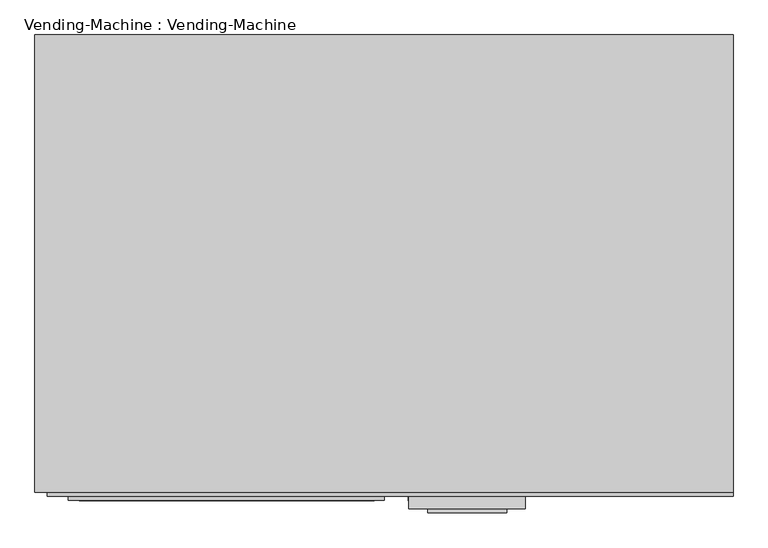
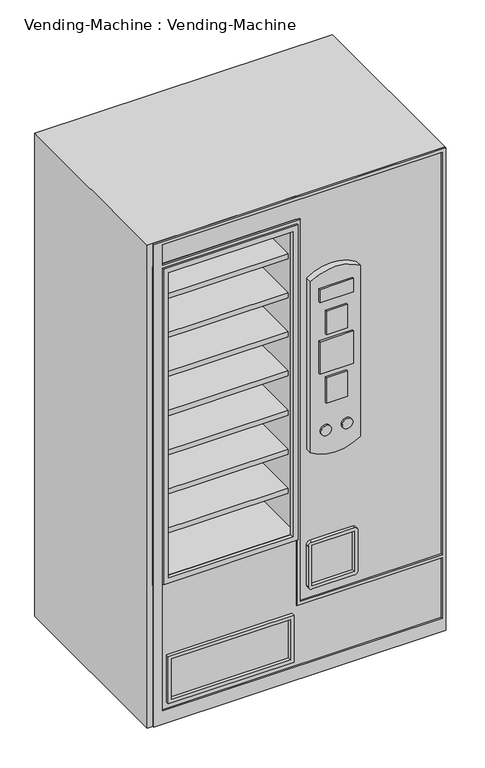
"""IFC4 building model written with IfcOpenShell, lengths in millimetres: proxy geometry, Vending-Machine : Vending-Machine."""

from ifc_helpers import new_model, si_unit, point, frame, frame_2d, origin, place, context, project, spatial, polyline, circle_curve, trimmed, segment, composite_curve, outline, extrude, faceted_brep, source, transform, mapped, element, save


def vending_machine_vending_machine_3bf43fcc(model_context):
    return source(origin(), model_context, "Body", "SolidModel", [
        extrude(outline(polyline([(187.6810598, -381.0), (67.0310598, -381.0), (67.0310598, -374.65), (187.6810598, -374.65), (187.6810598, -381.0)])), frame((0.0, 0.0, 1419.4456944), z_axis=(0.0, 0.0, 1.0), x_axis=(1.0, 0.0, 0.0)), (0.0, 0.0, 1.0), 50.8),
        extrude(outline(polyline([(166.4129851, -381.0), (90.2129851, -381.0), (90.2129851, -374.65), (166.4129851, -374.65), (166.4129851, -381.0)])), frame((0.0, 0.0, 1291.0554886), z_axis=(0.0, 0.0, 1.0), x_axis=(1.0, 0.0, 0.0)), (0.0, 0.0, 1.0), 88.9),
        extrude(outline(polyline([(166.4129851, -381.0), (90.2129851, -381.0), (90.2129851, -374.65), (166.4129851, -374.65), (166.4129851, -381.0)])), frame((0.0, 0.0, 1030.5995865), z_axis=(0.0, 0.0, 1.0), x_axis=(1.0, 0.0, 0.0)), (0.0, 0.0, 1.0), 97.771959),
        extrude(outline(composite_curve([segment(trimmed(circle_curve(frame_2d((928.0582637, 90.2129851)), 19.05), [point((928.0582637, 71.1629851))], [point((928.0582637, 109.2629851))], False, "CARTESIAN"), True, "CONTINUOUS"), segment(trimmed(circle_curve(frame_2d((928.0582637, 90.2129851)), 19.05), [point((928.0582637, 109.2629851))], [point((928.0582637, 71.1629851))], False, "CARTESIAN"), True, "CONTINUOUS")], self_intersect=False)), frame((0.0, -381.0, 0.0), z_axis=(0.0, 1.0, 0.0), x_axis=(0.0, 0.0, 1.0)), (0.0, 0.0, 1.0), 6.35),
        extrude(outline(composite_curve([segment(trimmed(circle_curve(frame_2d((928.0582637, 166.4129851)), 19.05), [point((928.0582637, 147.3629851))], [point((928.0582637, 185.4629851))], False, "CARTESIAN"), True, "CONTINUOUS"), segment(trimmed(circle_curve(frame_2d((928.0582637, 166.4129851)), 19.05), [point((928.0582637, 185.4629851))], [point((928.0582637, 147.3629851))], False, "CARTESIAN"), True, "CONTINUOUS")], self_intersect=False)), frame((0.0, -381.0, 0.0), z_axis=(0.0, 1.0, 0.0), x_axis=(0.0, 0.0, 1.0)), (0.0, 0.0, 1.0), 6.35),
        extrude(outline(polyline([(187.6810598, -381.0), (67.0310598, -381.0), (67.0310598, -374.65), (187.6810598, -374.65), (187.6810598, -381.0)])), frame((0.0, 0.0, 1148.6413418), z_axis=(0.0, 0.0, 1.0), x_axis=(1.0, 0.0, 0.0)), (0.0, 0.0, 1.0), 122.8111192),
        extrude(outline(polyline([(0.0, -300.8219542), (-514.35, -300.8219542), (-514.35, 167.2944124), (0.0, 167.2944124), (0.0, -300.8219542)])), frame((0.0, 0.0, 1413.9333333), z_axis=(0.0, 0.0, 1.0), x_axis=(1.0, 0.0, 0.0)), (0.0, 0.0, 1.0), 19.05),
        extrude(outline(polyline([(0.0, -300.8219542), (-514.35, -300.8219542), (-514.35, 167.2944124), (0.0, 167.2944124), (0.0, -300.8219542)])), frame((0.0, 0.0, 1265.7666667), z_axis=(0.0, 0.0, 1.0), x_axis=(1.0, 0.0, 0.0)), (0.0, 0.0, 1.0), 19.05),
        extrude(outline(polyline([(0.0, -300.8219542), (-514.35, -300.8219542), (-514.35, 167.2944124), (0.0, 167.2944124), (0.0, -300.8219542)])), frame((0.0, 0.0, 1117.6), z_axis=(0.0, 0.0, 1.0), x_axis=(1.0, 0.0, 0.0)), (0.0, 0.0, 1.0), 19.05),
        extrude(outline(polyline([(0.0, -300.8219542), (-514.35, -300.8219542), (-514.35, 167.2944124), (0.0, 167.2944124), (0.0, -300.8219542)])), frame((0.0, 0.0, 969.4333333), z_axis=(0.0, 0.0, 1.0), x_axis=(1.0, 0.0, 0.0)), (0.0, 0.0, 1.0), 19.05),
        extrude(outline(polyline([(0.0, -300.8219542), (-514.35, -300.8219542), (-514.35, 167.2944124), (0.0, 167.2944124), (0.0, -300.8219542)])), frame((0.0, 0.0, 821.2666667), z_axis=(0.0, 0.0, 1.0), x_axis=(1.0, 0.0, 0.0)), (0.0, 0.0, 1.0), 19.05),
        extrude(outline(polyline([(0.0, -300.8219542), (-514.35, -300.8219542), (-514.35, 167.2944124), (0.0, 167.2944124), (0.0, -300.8219542)])), frame((0.0, 0.0, 1562.1), z_axis=(0.0, 0.0, 1.0), x_axis=(1.0, 0.0, 0.0)), (0.0, 0.0, 1.0), 19.05),
        extrude(outline(polyline([(0.0, -349.25), (-514.35, -349.25), (-514.35, 330.2), (0.0, 330.2), (0.0, -349.25)])), frame((0.0, 0.0, 533.4), z_axis=(0.0, 0.0, 1.0), x_axis=(1.0, 0.0, 0.0)), (0.0, 0.0, 1.0), 19.05),
        extrude(outline(polyline([(0.0, -300.8219542), (-514.35, -300.8219542), (-514.35, 167.2944124), (0.0, 167.2944124), (0.0, -300.8219542)])), frame((0.0, 0.0, 673.1), z_axis=(0.0, 0.0, 1.0), x_axis=(1.0, 0.0, 0.0)), (0.0, 0.0, 1.0), 19.05),
        faceted_brep([(533.4, 349.25, 1828.8), (-533.4, 349.25, 1828.8), (-533.4, -349.25, 1828.8), (533.4, -349.25, 1828.8), (533.4, 349.25, 0.0), (533.4, -349.25, 0.0), (-533.4, -349.25, 0.0), (-533.4, 349.25, 0.0), (0.0, 330.2, 0.0), (-514.35, 330.2, 0.0), (-514.35, -330.2, 0.0), (0.0, -330.2, 0.0), (-514.35, -349.25, 533.4), (-514.35, -349.25, 1739.9), (0.0, -349.25, 1739.9), (0.0, -349.25, 533.4), (-514.35, 330.2, 1809.75), (-514.35, -330.2, 1809.75), (-514.35, -330.2, 1739.9), (-514.35, -330.2, 533.4), (0.0, 330.2, 1809.75), (0.0, -330.2, 533.4), (0.0, -330.2, 1739.9), (0.0, -330.2, 1809.75)], [[[0, 1, 2, 3]], [[4, 5, 6, 7], [8, 9, 10, 11]], [[1, 0, 4, 7]], [[2, 1, 7, 6]], [[3, 2, 6, 5], [12, 13, 14, 15]], [[10, 9, 16, 17, 18, 13, 12, 19]], [[9, 8, 20, 16]], [[8, 11, 21, 15, 14, 22, 23, 20]], [[0, 3, 5, 4]], [[21, 19, 12, 15]], [[19, 21, 11, 10]], [[17, 16, 20, 23]], [[14, 13, 18, 22]], [[22, 18, 17, 23]]]),
        extrude(outline(polyline([(1727.2, 0.0), (1727.2, -482.6), (533.4, -482.6), (533.4, 0.0), (1727.2, 0.0)]), holes=[polyline([(1708.15, -19.05), (552.45, -19.05), (552.45, -463.55), (1708.15, -463.55), (1708.15, -19.05)])]), frame((0.0, -361.95, 0.0), z_axis=(0.0, 1.0, 0.0), x_axis=(0.0, 0.0, 1.0)), (0.0, 0.0, 1.0), 12.7),
        extrude(outline(composite_curve([segment(polyline([(508.2755303, 202.0450175), (508.2755303, 49.6450175)]), True, "CONTINUOUS"), segment(trimmed(circle_curve(frame_2d((495.5755303, 49.6450175)), 12.7), [point((508.2755303, 49.6450175))], [point((495.5755303, 36.9450175))], False, "CARTESIAN"), True, "CONTINUOUS"), segment(polyline([(495.5755303, 36.9450175), (343.1755303, 36.9450175)]), True, "CONTINUOUS"), segment(trimmed(circle_curve(frame_2d((343.1755303, 49.6450175)), 12.7), [point((343.1755303, 36.9450175))], [point((330.4755303, 49.6450175))], False, "CARTESIAN"), True, "CONTINUOUS"), segment(polyline([(330.4755303, 49.6450175), (330.4755303, 202.0450175)]), True, "CONTINUOUS"), segment(trimmed(circle_curve(frame_2d((343.1755303, 202.0450175)), 12.7), [point((330.4755303, 202.0450175))], [point((343.1755303, 214.7450175))], False, "CARTESIAN"), True, "CONTINUOUS"), segment(polyline([(343.1755303, 214.7450175), (495.5755303, 214.7450175)]), True, "CONTINUOUS"), segment(trimmed(circle_curve(frame_2d((495.5755303, 202.0450175)), 12.7), [point((495.5755303, 214.7450175))], [point((508.2755303, 202.0450175))], False, "CARTESIAN"), True, "CONTINUOUS")], self_intersect=False), holes=[polyline([(495.5755303, 202.0450175), (343.1755303, 202.0450175), (343.1755303, 49.6450175), (495.5755303, 49.6450175), (495.5755303, 202.0450175)])]), frame((0.0, -361.95, 0.0), z_axis=(0.0, 1.0, 0.0), x_axis=(0.0, 0.0, 1.0)), (0.0, 0.0, 1.0), 12.7),
        extrude(outline(polyline([(253.9643958, -14.6706463), (253.9643958, -465.5206463), (76.1643958, -465.5206463), (76.1643958, -14.6706463), (253.9643958, -14.6706463)]), holes=[polyline([(241.2643958, -27.3706463), (88.8643958, -27.3706463), (88.8643958, -452.8206463), (241.2643958, -452.8206463), (241.2643958, -27.3706463)])]), frame((0.0, -361.95, 0.0), z_axis=(0.0, 1.0, 0.0), x_axis=(0.0, 0.0, 1.0)), (0.0, 0.0, 1.0), 12.7),
        extrude(outline(composite_curve([segment(trimmed(circle_curve(frame_2d((1374.4223131, 126.7077692)), 158.5424922), [point((1505.6949754, 215.6077692))], [point((1505.6949754, 37.8077692))], False, "CARTESIAN"), True, "CONTINUOUS"), segment(polyline([(1505.6949754, 37.8077692), (857.9949754, 37.8077692)]), True, "CONTINUOUS"), segment(trimmed(circle_curve(frame_2d((989.2676376, 126.7077692)), 158.5424922), [point((857.9949754, 37.8077692))], [point((857.9949754, 215.6077692))], False, "CARTESIAN"), True, "CONTINUOUS"), segment(polyline([(857.9949754, 215.6077692), (1505.6949754, 215.6077692)]), True, "CONTINUOUS")], self_intersect=False)), frame((0.0, -374.65, 0.0), z_axis=(0.0, 1.0, 0.0), x_axis=(0.0, 0.0, 1.0)), (0.0, 0.0, 1.0), 25.4),
        extrude(outline(polyline([(0.0, 533.4), (1828.8, 533.4), (1828.8, -514.35), (0.0, -514.35), (0.0, 533.4)]), holes=[polyline([(279.4, 0.0), (279.4, 520.7), (50.8, 520.7), (50.8, -482.6), (1727.2, -482.6), (1727.2, 0.0), (279.4, 0.0)]), polyline([(1739.9, -482.6), (1816.1, -482.6), (1816.1, 520.7), (292.1, 520.7), (292.1, 12.7), (1739.9, 12.7), (1739.9, -482.6)])]), frame((0.0, -355.6, 0.0), z_axis=(0.0, 1.0, 0.0), x_axis=(0.0, 0.0, 1.0)), (0.0, 0.0, 1.0), 6.35),
    ])


if __name__ == "__main__":
    model = new_model("IFC4")
    model_context = context("Model", 3, world=origin())
    ifc_project = project(units=[si_unit("LENGTHUNIT", "METRE", prefix="MILLI")], contexts=[model_context])
    site = spatial("IfcSite", under=ifc_project)
    building = spatial("IfcBuilding", under=site)
    placement = place(None, origin())
    vending_machine_vending_machine_shape = vending_machine_vending_machine_3bf43fcc(model_context)
    element("IfcBuildingElementProxy", 1, Name="Vending-Machine : Vending-Machine", ObjectType="Vending-Machine : Vending-Machine", at=placement, inside=building, context=model_context, shape_type="MappedRepresentation", body=[
        mapped(vending_machine_vending_machine_shape, transform((0.0, 0.0, 0.0), x_axis=(1.0, 0.0, 0.0), y_axis=(0.0, 1.0, 0.0), z_axis=(0.0, 0.0, 1.0))),
    ])
    save(model, "model.ifc")
